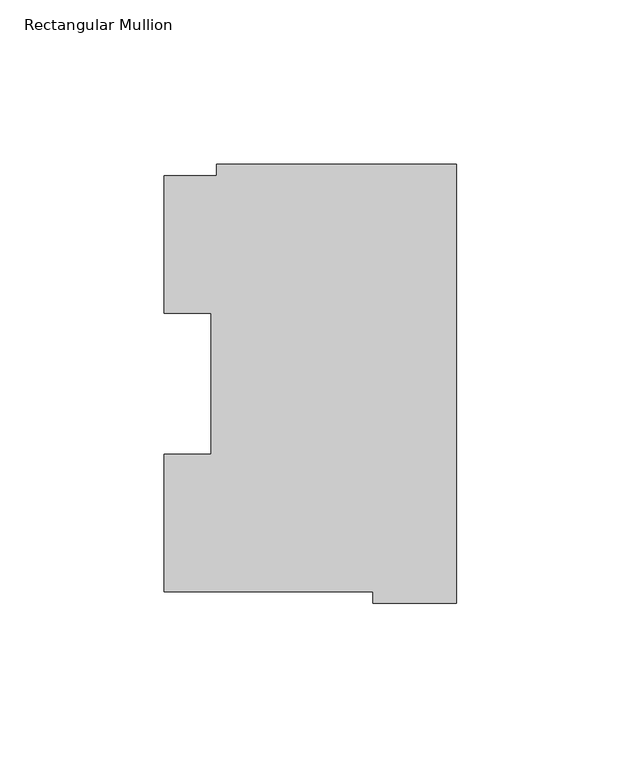
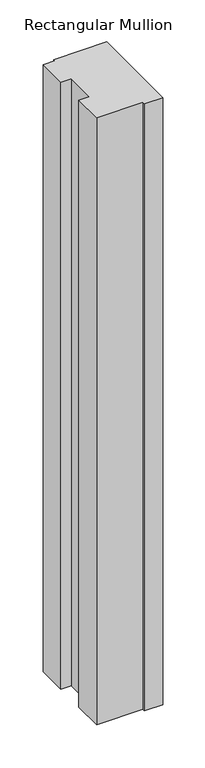
"""IFC4 building model written with IfcOpenShell, lengths in millimetres: member geometry, Rectangular Mullion."""

from ifc_helpers import new_model, si_unit, frame, origin, place, context, project, spatial, polyline, outline, extrude, source, transform, mapped, element, save


def rectangular_mullion_54ca4ac0(model_context):
    return source(origin(), model_context, "Body", "SweptSolid", [
        extrude(outline(polyline([(-72.9776553, 130.1706837), (0.0, 130.1706837), (0.0, -3.193538), (-25.3822228, -3.193538), (-25.3822228, 0.26035), (-88.8822228, 0.26035), (-88.8822228, 42.0485036), (-74.5923808, 42.0485036), (-74.5923808, 84.93125), (-88.8822228, 84.93125), (-88.8822228, 126.75235), (-72.9776553, 126.75235), (-72.9776553, 130.1706837)])), frame((0.0, 0.0, -882.65), z_axis=(0.0, 0.0, 1.0), x_axis=(1.0, 0.0, 0.0)), (0.0, 0.0, 1.0), 882.65),
    ])


if __name__ == "__main__":
    model = new_model("IFC4")
    model_context = context("Model", 3, world=origin())
    ifc_project = project(units=[si_unit("LENGTHUNIT", "METRE", prefix="MILLI")], contexts=[model_context])
    site = spatial("IfcSite", under=ifc_project)
    building = spatial("IfcBuilding", under=site)
    placement = place(None, origin())
    rectangular_mullion_shape = rectangular_mullion_54ca4ac0(model_context)
    element("IfcMember", 1, ObjectType="Rectangular Mullion", at=placement, inside=building, context=model_context, shape_type="MappedRepresentation", body=[
        mapped(rectangular_mullion_shape, transform((0.0, 0.0, 0.0), x_axis=(1.0, 0.0, 0.0), y_axis=(0.0, 1.0, 0.0), z_axis=(0.0, 0.0, 1.0))),
    ])
    save(model, "model.ifc")
